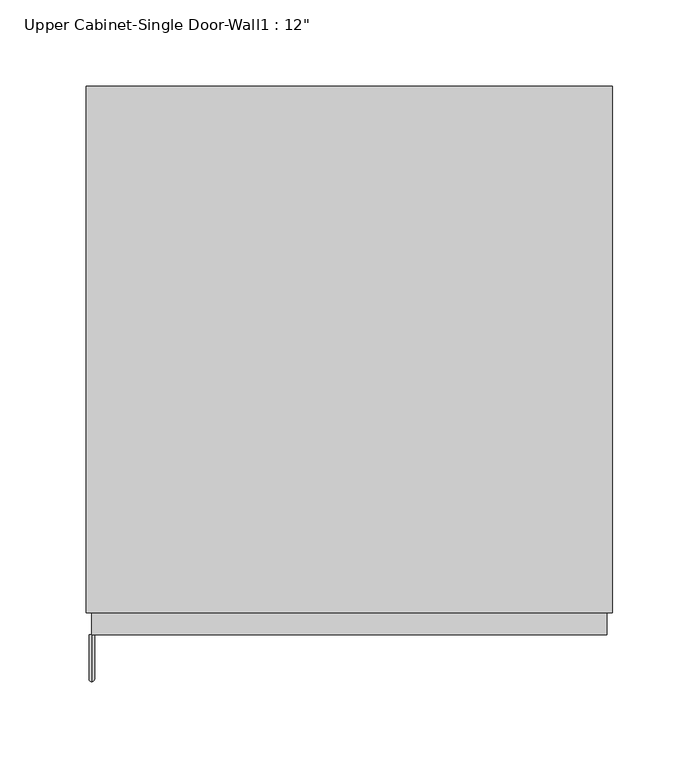
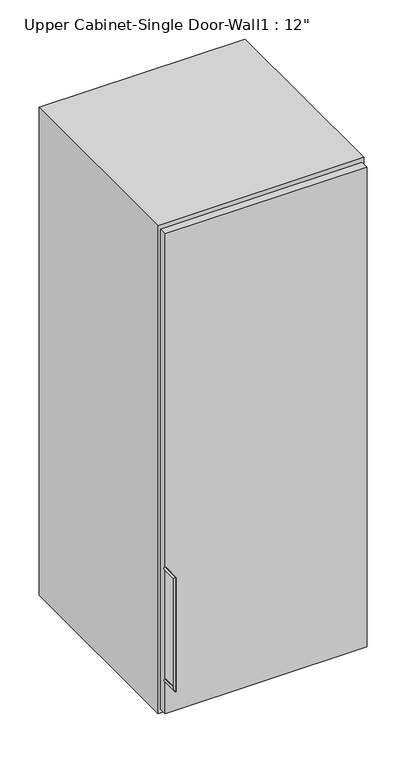
"""IFC4 building model written with IfcOpenShell, lengths in millimetres: furniture geometry."""

from ifc_helpers import new_model, si_unit, frame, origin, place, context, project, spatial, polyline, circle_curve, ellipse_curve, outline, extrude, faceted_brep, source, transform, mapped, element, save
from ifc_brep_helpers import plane_surface, cylinder_surface, advanced_brep


def furniture_8d07fd1c(model_context):
    return source(origin(), model_context, "Body", "SolidModel", [
        advanced_brep(
        [(-119.4538372, -389.875, 1431.925), (-119.4538372, -389.875, 1428.75), (-119.4538372, -416.8625, 1428.75), (-119.4538372, -413.6875, 1431.925), (-119.4538372, -416.8625, 1606.55), (-119.4538372, -413.6875, 1603.375), (-119.4538372, -389.875, 1603.375), (-119.4538372, -389.875, 1606.55)],
        [
            (0, 1, circle_curve(frame((-119.4538372, -389.875, 1430.3375), z_axis=(0.0, 1.0, 0.0), x_axis=(0.0, 0.0, -1.0)), 1.5875)),
            (1, 0, circle_curve(frame((-119.4538372, -389.875, 1430.3375), z_axis=(0.0, 1.0, 0.0), x_axis=(0.0, 0.0, -1.0)), 1.5875)),
            (1, 2),
            (2, 3, ellipse_curve(frame((-119.4538372, -415.275, 1430.3375), z_axis=(0.0, 0.7071067811865536, -0.7071067811865416), x_axis=(0.0, 0.7071067811865415, 0.7071067811865536)), 2.245064, 1.5875)),
            (3, 0),
            (3, 2, ellipse_curve(frame((-119.4538372, -415.275, 1430.3375), z_axis=(0.0, 0.7071067811865536, -0.7071067811865416), x_axis=(0.0, 0.7071067811865415, 0.7071067811865536)), 2.245064, 1.5875)),
            (2, 4),
            (4, 5, ellipse_curve(frame((-119.4538372, -415.275, 1604.9625), z_axis=(0.0, -0.7071067811865415, -0.7071067811865535), x_axis=(0.0, 0.7071067811865533, -0.7071067811865418)), 2.245064, 1.5875)),
            (5, 3),
            (5, 4, ellipse_curve(frame((-119.4538372, -415.275, 1604.9625), z_axis=(0.0, -0.7071067811865415, -0.7071067811865535), x_axis=(0.0, 0.7071067811865533, -0.7071067811865418)), 2.245064, 1.5875)),
            (6, 7, circle_curve(frame((-119.4538372, -389.875, 1604.9625), z_axis=(0.0, 1.0, 0.0), x_axis=(0.0, 0.0, 1.0)), 1.5875)),
            (7, 6, circle_curve(frame((-119.4538372, -389.875, 1604.9625), z_axis=(0.0, 1.0, 0.0), x_axis=(0.0, 0.0, 1.0)), 1.5875)),
            (4, 7),
            (6, 5),
        ],
        [
            plane_surface(frame((-119.4538372, -389.875, 1430.3375), z_axis=(0.0, 1.0, 0.0), x_axis=(-1.0, 0.0, 0.0))),
            cylinder_surface(frame((-119.4538372, -389.875, 1430.3375), z_axis=(0.0, 1.0, 0.0), x_axis=(0.0, 0.0, -1.0)), 1.5875),
            cylinder_surface(frame((-119.4538372, -415.275, 1430.3375), z_axis=(0.0, 0.0, -1.0), x_axis=(0.0, -1.0, 0.0)), 1.5875),
            plane_surface(frame((-119.4538372, -389.875, 1604.9625), z_axis=(0.0, 1.0, 0.0), x_axis=(-1.0, 0.0, 0.0))),
            cylinder_surface(frame((-119.4538372, -415.275, 1604.9625), z_axis=(0.0, -1.0, 0.0), x_axis=(0.0, 0.0, 1.0)), 1.5875),
        ],
        [
            (0, [[1, 2]]),
            (1, [[3, 4, 5, -2]]),
            (1, [[-5, 6, -3, -1]]),
            (2, [[7, 8, 9, -4]]),
            (2, [[-9, 10, -7, -6]]),
            (3, [[11, 12]]),
            (4, [[13, -11, 14, -8]]),
            (4, [[-14, -12, -13, -10]]),
        ],
    ),
        faceted_brep([(-122.6288372, -72.375, 2133.6), (182.1711628, -72.375, 2133.6), (182.1711628, -72.375, 1371.6), (-122.6288372, -72.375, 1371.6), (-122.6288372, -377.175, 2133.6), (-122.6288372, -377.175, 1371.6), (182.1711628, -377.175, 1371.6), (182.1711628, -377.175, 2133.6), (-103.5788372, -377.175, 2114.55), (163.1211628, -377.175, 2114.55), (163.1211628, -377.175, 1390.65), (-103.5788372, -377.175, 1390.65), (-103.5788372, -91.425, 2114.55), (163.1211628, -91.425, 2114.55), (163.1211628, -91.425, 1390.65), (-103.5788372, -91.425, 1390.65)], [[[0, 1, 2, 3]], [[4, 5, 6, 7], [8, 9, 10, 11]], [[3, 5, 4, 0]], [[2, 6, 5, 3]], [[1, 7, 6, 2]], [[0, 4, 7, 1]], [[8, 12, 13, 9]], [[9, 13, 14, 10]], [[10, 14, 15, 11]], [[11, 15, 12, 8]], [[12, 15, 14, 13]]]),
        extrude(outline(polyline([(-119.4538372, -389.875), (-119.4538372, -358.125), (178.9961628, -358.125), (178.9961628, -389.875), (-119.4538372, -389.875)])), frame((0.0, 0.0, 1377.95), z_axis=(0.0, 0.0, 1.0), x_axis=(1.0, 0.0, 0.0)), (0.0, 0.0, 1.0), 749.3),
    ])


if __name__ == "__main__":
    model = new_model("IFC4")
    model_context = context("Model", 3, world=origin())
    ifc_project = project(units=[si_unit("LENGTHUNIT", "METRE", prefix="MILLI")], contexts=[model_context])
    site = spatial("IfcSite", under=ifc_project)
    building = spatial("IfcBuilding", under=site)
    placement = place(None, origin())
    furniture_shape = furniture_8d07fd1c(model_context)
    element("IfcFurniture", 1, ObjectType="Upper Cabinet-Single Door-Wall1 : 12\"", at=placement, inside=building, context=model_context, shape_type="MappedRepresentation", body=[
        mapped(furniture_shape, transform((0.0, 0.0, 0.0), x_axis=(1.0, 0.0, 0.0), y_axis=(0.0, 1.0, 0.0), z_axis=(0.0, 0.0, 1.0))),
    ])
    save(model, "model.ifc")
